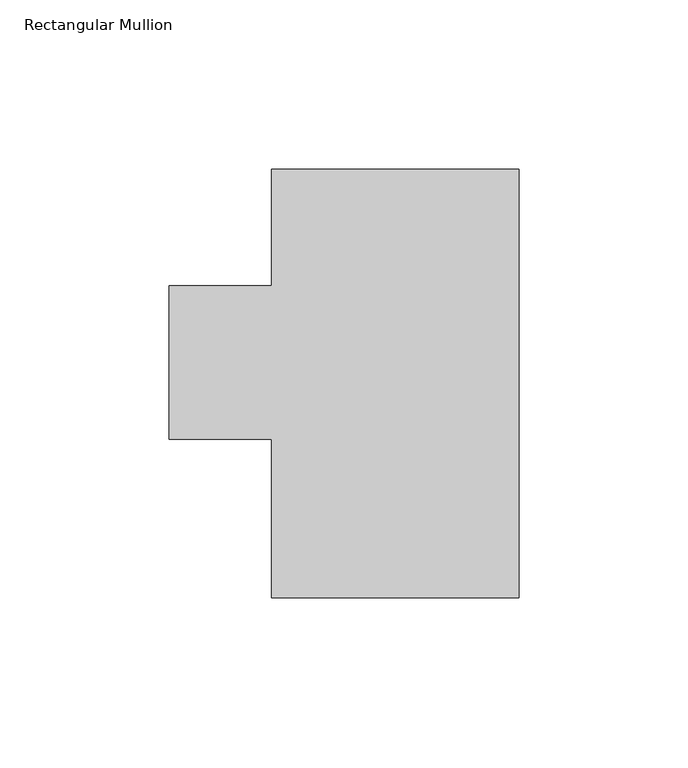
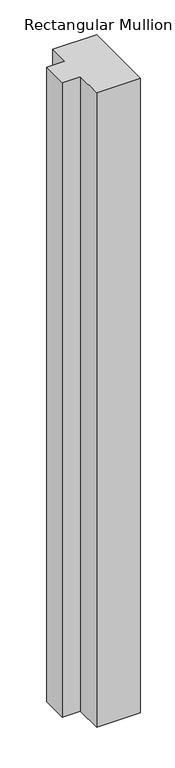
"""IFC4 building model written with IfcOpenShell, lengths in millimetres: member geometry, Rectangular Mullion."""

import ifcopenshell
import ifcopenshell.guid

model = None  # the IFC model being written
_history = None  # IfcOwnerHistory: only IFC2X3 demands one
_inside = {}  # id of a spatial element -> (the spatial element, [elements in it])
_under = {}  # id of a project, library or spatial element -> (it, [spatial elements below it])
_declared = {}  # id of a project -> (the project, [libraries it declares])
_typed = {}  # id of a type object -> (the type object, [elements of that type])
_made_of = {}  # id of a material, layer set ... -> (it, [elements and type objects made of it])


def new_model(schema):
    """Start an empty IFC model of exactly this schema.

    Asked for "IFC4X3", IfcOpenShell would pick the latest addendum, in which some entities
    have other attributes; the version numbers below select the first issue.
    IFC2X3 requires an IfcOwnerHistory on every rooted entity: one is made here for all.
    """
    global model, _history
    if schema == "IFC4X3":
        model = ifcopenshell.file(schema_version=(4, 3, 0, 0))
    else:
        model = ifcopenshell.file(schema=schema)
    _inside.clear()
    _under.clear()
    _declared.clear()
    _typed.clear()
    _made_of.clear()
    _history = None
    if model.schema == "IFC2X3":
        org = make("IfcOrganization", Name="unknown")
        user = make(
            "IfcPersonAndOrganization",
            ThePerson=make("IfcPerson", FamilyName="unknown"),
            TheOrganization=org,
        )
        app = make(
            "IfcApplication",
            ApplicationDeveloper=org,
            Version="unknown",
            ApplicationFullName="unknown",
            ApplicationIdentifier="unknown",
        )
        _history = make(
            "IfcOwnerHistory",
            OwningUser=user,
            OwningApplication=app,
            ChangeAction="ADDED",
            CreationDate=0,
        )
    return model


def make(cls, **values):
    """One entity of the class cls with the attributes given. An attribute that is None is left unset."""
    return model.create_entity(
        cls, **{name: value for name, value in values.items() if value is not None}
    )


def rooted(cls, **values):
    """An entity with a GlobalId (a new one), such as an element, a storey or a relation."""
    return make(cls, GlobalId=ifcopenshell.guid.new(), OwnerHistory=_history, **values)


def si_unit(unit_type, name, prefix=None):
    """IfcSIUnit, for example si_unit("LENGTHUNIT", "METRE", prefix="MILLI")."""
    return make("IfcSIUnit", UnitType=unit_type, Prefix=prefix, Name=name)


def assignment(units):
    """IfcUnitAssignment: the units of a project."""
    return None if units is None else make("IfcUnitAssignment", Units=units)


def point(xyz):
    """IfcCartesianPoint."""
    return None if xyz is None else make("IfcCartesianPoint", Coordinates=xyz)


def direction(xyz):
    """IfcDirection."""
    return None if xyz is None else make("IfcDirection", DirectionRatios=xyz)


def frame(location, z_axis=None, x_axis=None):
    """IfcAxis2Placement3D, a coordinate frame: its origin and axes. An axis left out is left unset."""
    return make(
        "IfcAxis2Placement3D",
        Location=point(location),
        Axis=direction(z_axis),
        RefDirection=direction(x_axis),
    )


def origin():
    """The frame at (0, 0, 0) with its axes left unset."""
    return frame((0.0, 0.0, 0.0))


def place(relative_to, where):
    """IfcLocalPlacement: puts the frame where relative to a parent placement (None: the world)."""
    return make(
        "IfcLocalPlacement", PlacementRelTo=relative_to, RelativePlacement=where
    )


def context(
    kind, dimensions, precision=None, world=None, true_north=None, identifier=None
):
    """IfcGeometricRepresentationContext, for example the 3D "Model" context."""
    return make(
        "IfcGeometricRepresentationContext",
        ContextIdentifier=identifier,
        ContextType=kind,
        CoordinateSpaceDimension=dimensions,
        Precision=precision,
        WorldCoordinateSystem=world,
        TrueNorth=true_north,
    )


def project(units=None, contexts=None):
    """IfcProject with its units and contexts."""
    return rooted(
        "IfcProject",
        Name="project",
        RepresentationContexts=contexts,
        UnitsInContext=assignment(units),
    )


def spatial(cls, under=None, at=None, **own):
    """A site, building, storey or space (cls), placed at a placement, below another one or the project."""
    s = rooted(cls, ObjectPlacement=at, **own)
    if under is not None:
        _under.setdefault(under.id(), (under, []))[1].append(s)
    return s


def polyline(points):
    """IfcPolyline through the points."""
    return make("IfcPolyline", Points=[point(p) for p in points])


def outline(outer, holes=None, kind="AREA"):
    """IfcArbitraryClosedProfileDef: a profile drawn as a closed curve; with holes, ...WithVoids."""
    if holes is None:
        return make("IfcArbitraryClosedProfileDef", ProfileType=kind, OuterCurve=outer)
    return make(
        "IfcArbitraryProfileDefWithVoids",
        ProfileType=kind,
        OuterCurve=outer,
        InnerCurves=holes,
    )


def extrude(swept, where, along, depth):
    """IfcExtrudedAreaSolid: the profile swept, set in the frame where, extruded along a direction by depth."""
    return make(
        "IfcExtrudedAreaSolid",
        SweptArea=swept,
        Position=where,
        ExtrudedDirection=direction(along),
        Depth=depth,
    )


def shape(context_of_items, identifier, shape_type, items):
    """IfcShapeRepresentation: the items that make up one representation, for example the "Body"."""
    return make(
        "IfcShapeRepresentation",
        ContextOfItems=context_of_items,
        RepresentationIdentifier=identifier,
        RepresentationType=shape_type,
        Items=items,
    )


def source(mapping_origin, context_of_items, identifier, shape_type, items):
    """IfcRepresentationMap: a shape defined once, which mapped items show again and again."""
    return make(
        "IfcRepresentationMap",
        MappingOrigin=mapping_origin,
        MappedRepresentation=shape(context_of_items, identifier, shape_type, items),
    )


def transform(
    local_origin,
    x_axis=None,
    y_axis=None,
    z_axis=None,
    scale=None,
    scale2=None,
    scale3=None,
    uniform=True,
):
    """IfcCartesianTransformationOperator3D, or its non-uniform kind. x_axis, y_axis, z_axis: its Axis1, 2, 3."""
    if uniform:
        return make(
            "IfcCartesianTransformationOperator3D",
            Axis1=direction(x_axis),
            Axis2=direction(y_axis),
            LocalOrigin=point(local_origin),
            Scale=scale,
            Axis3=direction(z_axis),
        )
    return make(
        "IfcCartesianTransformationOperator3DnonUniform",
        Axis1=direction(x_axis),
        Axis2=direction(y_axis),
        LocalOrigin=point(local_origin),
        Scale=scale,
        Axis3=direction(z_axis),
        Scale2=scale2,
        Scale3=scale3,
    )


def mapped(mapping_source, mapping_target):
    """IfcMappedItem: shows the shape of a source again, moved by a transform."""
    return make(
        "IfcMappedItem", MappingSource=mapping_source, MappingTarget=mapping_target
    )


def made_of(thing, what):
    """Note that an element or type object is made of a material, layer set ...; save() writes the relation."""
    if what is not None:
        _made_of.setdefault(what.id(), (what, []))[1].append(thing)
    return thing


def element(
    cls,
    number,
    at=None,
    inside=None,
    cuts=None,
    type_object=None,
    material=None,
    context=None,
    identifier="Body",
    shape_type=None,
    held_by="IfcProductDefinitionShape",
    body=None,
    shapes=None,
    **own,
):
    """One element of the class cls, such as IfcWall. Its Tag is "e" and its number.

    at: its placement. inside: the storey or other place that contains it. cuts: it is an
    opening in that element (IfcRelVoidsElement). A single representation is given by context,
    identifier, shape_type and body (its items); several are given by shapes. held_by: the class
    of the entity that holds the representations. save() writes the other relations.
    """
    e = rooted(cls, Tag="e%d" % number, ObjectPlacement=at, **own)
    if body is not None:
        shapes = [shape(context, identifier, shape_type, body)]
    if shapes is not None:
        e.Representation = make(held_by, Representations=shapes)
    if inside is not None:
        _inside.setdefault(inside.id(), (inside, []))[1].append(e)
    if cuts is not None:
        rooted(
            "IfcRelVoidsElement", RelatingBuildingElement=cuts, RelatedOpeningElement=e
        )
    if type_object is not None:
        _typed.setdefault(type_object.id(), (type_object, []))[1].append(e)
    return made_of(e, material)


def aggregate(whole, parts):
    """IfcRelAggregates: a whole, such as a stair, and the parts it consists of."""
    return rooted("IfcRelAggregates", RelatingObject=whole, RelatedObjects=parts)


def save(model, path):
    """Write the relations noted so far, then the file.

    IfcRelAggregates (storeys below a building ...), IfcRelContainedInSpatialStructure (elements
    in a storey), IfcRelDefinesByType, IfcRelAssociatesMaterial and IfcRelDeclares: one each for
    every whole, place, type object, material and project.
    """
    for whole, parts in _under.values():
        aggregate(whole, parts)
    for where, things in _inside.values():
        rooted(
            "IfcRelContainedInSpatialStructure",
            RelatedElements=things,
            RelatingStructure=where,
        )
    for kind, things in _typed.values():
        rooted("IfcRelDefinesByType", RelatedObjects=things, RelatingType=kind)
    for what, things in _made_of.values():
        rooted("IfcRelAssociatesMaterial", RelatedObjects=things, RelatingMaterial=what)
    for by, libraries in _declared.values():
        rooted("IfcRelDeclares", RelatingContext=by, RelatedDefinitions=libraries)
    model.write(path)


def rectangular_mullion_6529bc2c(model_context):
    return source(origin(), model_context, "Body", "SweptSolid", [
        extrude(outline(polyline([(-73.025, 124.5750938), (0.0, 124.5750938), (0.0, -1.9169063), (-73.025, -1.9169063), (-73.025, 44.9460938), (-103.2002, 44.9460938), (-103.2002, 90.2088937), (-73.025, 90.2088937), (-73.025, 124.5750938)])), frame((0.0, 0.0, -1123.9497287), z_axis=(0.0, 0.0, 1.0), x_axis=(1.0, 0.0, 0.0)), (0.0, 0.0, 1.0), 1123.9497287),
    ])


if __name__ == "__main__":
    model = new_model("IFC4")
    model_context = context("Model", 3, world=origin())
    ifc_project = project(units=[si_unit("LENGTHUNIT", "METRE", prefix="MILLI")], contexts=[model_context])
    site = spatial("IfcSite", under=ifc_project)
    building = spatial("IfcBuilding", under=site)
    placement = place(None, origin())
    rectangular_mullion_shape = rectangular_mullion_6529bc2c(model_context)
    element("IfcMember", 1, ObjectType="Rectangular Mullion", at=placement, inside=building, context=model_context, shape_type="MappedRepresentation", body=[
        mapped(rectangular_mullion_shape, transform((0.0, 0.0, 0.0), x_axis=(1.0, 0.0, 0.0), y_axis=(0.0, 1.0, 0.0), z_axis=(0.0, 0.0, 1.0))),
    ])
    save(model, "model.ifc")
